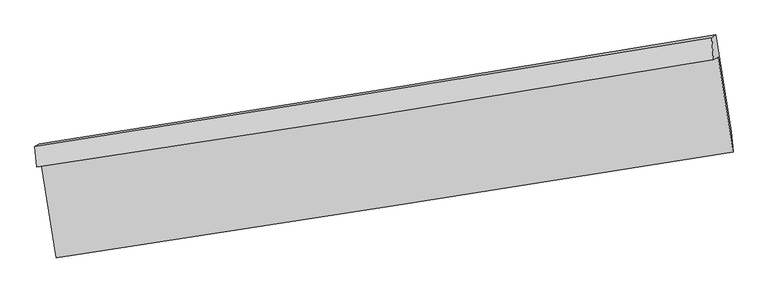
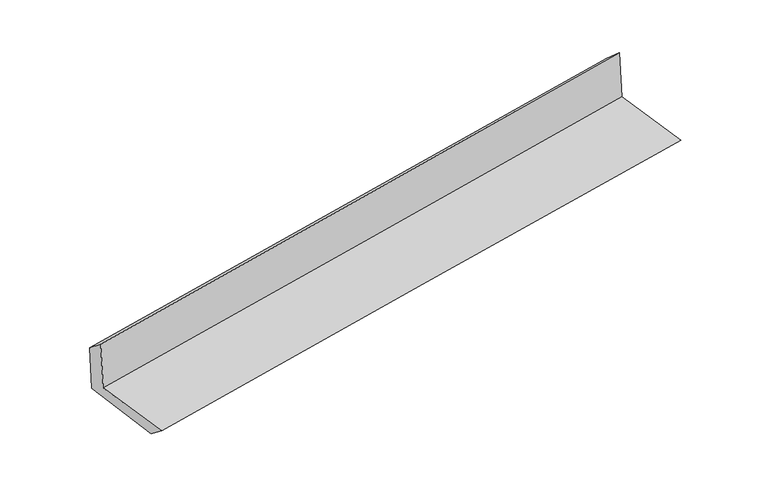
"""IFC4 building model written with IfcOpenShell, lengths in millimetres: proxy geometry."""

from ifc_helpers import new_model, si_unit, frame, origin, place, context, project, spatial, source, transform, mapped, element, save
from ifc_brep_helpers import plane_surface, spline_curve, spline_surface, advanced_brep


def generic_models_1ba3c8ec(model_context):
    return source(origin(), model_context, "Body", "AdvancedBrep", [
        advanced_brep(
        [(-2413.9461515, -1870.5037728, 1664.3851979), (-2309.569341, -2534.7825055, 1650.4031853), (2462.6096974, -1784.4690587, 2093.2916359), (2356.8372812, -1115.3479708, 2107.3240344), (-2446.1738597, -1890.3410208, 2072.8640047), (2324.2167707, -1135.4270019, 2520.7815205), (-2458.3155611, -1748.7636396, 1958.951792), (2311.9467119, -977.6148202, 2377.5191308), (-2428.6427664, -1730.4990276, 1582.855928), (2342.0007074, -959.1155661, 1996.5916328), (-2321.4914776, -2403.1948081, 1551.8997039), (2451.3561733, -1641.578582, 1965.2361066)],
        [
            (0, 1),
            (1, 2, spline_curve(3, [(-2309.569341, -2534.7825055, 1650.4031853), (-1510.951249848, -2413.167343149, 1731.750904969), (-712.323703273, -2289.568148177, 1809.469170455), (878.402797483, -2039.431267919, 1957.039386752), (1670.501596836, -1912.925980463, 2026.950604892), (2462.6096974, -1784.4690587, 2093.2916359)], [4, 2, 4], [0.0, 7.990192627433411, 15.914878881909841])),
            (2, 3),
            (3, 0, spline_curve(3, [(2356.8372812, -1115.3479708, 2107.3240344), (1565.738614492, -1249.533356364, 2040.871306261), (774.261954212, -1379.314879299, 1970.899845429), (-815.992914945, -1631.106586541, 1823.311979532), (-1614.777399177, -1753.043664293, 1745.637161503), (-2413.9461515, -1870.5037728, 1664.3851979)], [4, 2, 4], [0.0, 7.92468625447643, 15.914878881909841])),
            (4, 0),
            (3, 5),
            (5, 4, spline_curve(3, [(2324.2167707, -1135.4270019, 2520.7815205), (1533.308221825, -1269.495363322, 2451.91909176), (741.959476306, -1399.198150652, 2380.326339563), (-848.163426057, -1650.908627841, 2231.065826103), (-1646.944890987, -1772.843847115, 2153.352739555), (-2446.1738597, -1890.3410208, 2072.8640047)], [4, 2, 4], [0.0, 7.924256591571343, 15.91401600445641])),
            (6, 4),
            (5, 7),
            (7, 6, spline_curve(3, [(2311.9467119, -977.6148202, 2377.5191308), (1520.298617804, -1109.474104641, 2313.521944983), (728.58918621, -1239.409592566, 2246.797581977), (-861.49721974, -1496.49113528, 2107.320408566), (-1659.875212815, -1623.605253672, 2034.522325069), (-2458.3155611, -1748.7636396, 1958.951792)], [4, 2, 4], [0.0, 7.923993568326507, 15.91348778378618])),
            (8, 6),
            (7, 9),
            (9, 8, spline_curve(3, [(2342.0007074, -959.1155661, 1996.5916328), (1550.423069165, -1090.931482631, 1931.701435487), (758.717504734, -1220.864590332, 1864.92805773), (-831.494862728, -1478.023666244, 1727.047417819), (-1630.003789922, -1605.218379155, 1655.908894069), (-2428.6427664, -1730.4990276, 1582.855928)], [4, 2, 4], [0.0, 7.923818125377937, 15.913135447657341])),
            (10, 8),
            (9, 11),
            (11, 10, spline_curve(3, [(2451.3561733, -1641.578582, 1965.2361066), (1658.884962009, -1768.485382308, 1900.563181895), (866.548599933, -1895.146579198, 1833.931889601), (-724.402855648, -2149.022731715, 1696.185598534), (-1523.015710454, -2276.233610223, 1625.03809025), (-2321.4914776, -2403.1948081, 1551.8997039)], [4, 2, 4], [0.0, 7.924265715244923, 15.91403432722091])),
            (1, 10),
            (11, 2),
        ],
        [
            spline_surface(3, 3, [[(-2413.9461515, -1870.5037728, 1664.3851979), (-1614.77739913, -1753.043664266, 1745.637161626), (-815.992915029, -1631.106586545, 1823.311979519), (774.261954296, -1379.314879295, 1970.899845442), (1565.73861444, -1249.533356348, 2040.871306332), (2356.8372812, -1115.3479708, 2107.3240344)], [(-2379.153881334, -2091.930017043, 1659.724527053), (-1580.168682671, -1973.084890609, 1741.008409425), (-781.436511052, -1850.59377378, 1818.697709796), (808.975568672, -1599.353675447, 1966.279692555), (1600.659608596, -1470.664231073, 2036.231072526), (2392.09475326, -1338.388333436, 2102.646568231)], [(-2344.361611166, -2313.356261257, 1655.063856147), (-1545.559966209, -2193.126116924, 1736.379657166), (-746.880107133, -2070.080961063, 1814.083440111), (843.689182991, -1819.392471647, 1961.659539705), (1635.580602773, -1691.79510579, 2031.590838728), (2427.35222534, -1561.428696064, 2097.969102069)], [(-2309.569341, -2534.7825055, 1650.4031853), (-1510.95124975, -2413.167343267, 1731.750904965), (-712.323703156, -2289.568148298, 1809.469170388), (878.402797367, -2039.431267799, 1957.039386819), (1670.501596929, -1912.925980515, 2026.950604922), (2462.6096974, -1784.4690587, 2093.2916359)]], [4, 4], [4, 2, 4], [0.0, 2.190168550118991], [0.0, 7.990192627433411, 15.914878881909841]),
            spline_surface(3, 3, [[(-2446.1738597, -1890.3410208, 2072.8640047), (-1646.944890936, -1772.843847032, 2153.352739441), (-848.163426183, -1650.908627877, 2231.065825973), (741.95947643, -1399.198150617, 2380.326339692), (1533.308221835, -1269.495363432, 2451.919091732), (2324.2167707, -1135.4270019, 2520.7815205)], [(-2435.431290299, -1883.728604788, 1936.704402428), (-1636.222393667, -1766.243786097, 2017.447546831), (-837.439922488, -1644.307947454, 2095.147877152), (752.726969029, -1392.57039353, 2243.850841606), (1544.11835271, -1262.84136104, 2314.903163271), (2335.090274207, -1128.733991502, 2382.962358472)], [(-2424.688720901, -1877.116188812, 1800.544800172), (-1625.499896399, -1759.6437252, 1881.542354236), (-826.716418724, -1637.707266968, 1959.22992834), (763.494461698, -1385.942636381, 2107.375343528), (1554.928483565, -1256.187358741, 2177.887234793), (2345.963777693, -1122.040981198, 2245.143196428)], [(-2413.9461515, -1870.5037728, 1664.3851979), (-1614.77739913, -1753.043664266, 1745.637161626), (-815.992915029, -1631.106586545, 1823.311979519), (774.261954296, -1379.314879295, 1970.899845442), (1565.73861444, -1249.533356348, 2040.871306332), (2356.8372812, -1115.3479708, 2107.3240344)]], [4, 4], [4, 2, 4], [0.0, 1.3462370286705276], [0.0, 7.989759412885068, 15.91401600445641]),
            spline_surface(3, 3, [[(-2458.3155611, -1748.7636396, 1958.951792), (-1659.875212726, -1623.60525368, 2034.522325007), (-861.497219801, -1496.491135202, 2107.320408464), (728.58918627, -1239.409592643, 2246.797582078), (1520.298617738, -1109.474104644, 2313.521944868), (2311.9467119, -977.6148202, 2377.5191308)], [(-2454.268327308, -1795.956099994, 1996.922529574), (-1655.56510547, -1673.351451458, 2074.132463159), (-857.052621916, -1547.963632743, 2148.568880971), (733.045949668, -1292.672445283, 2291.307167954), (1524.635152447, -1162.814524248, 2359.654327168), (2316.03673151, -1030.218880775, 2425.273260712)], [(-2450.221093492, -1843.148560406, 2034.893267126), (-1651.254998191, -1723.097649254, 2113.742601289), (-852.608024067, -1599.436130336, 2189.817353466), (737.502713032, -1345.935297976, 2335.816753817), (1528.971687126, -1216.154943828, 2405.786709432), (2320.12675109, -1082.822941325, 2473.027390588)], [(-2446.1738597, -1890.3410208, 2072.8640047), (-1646.944890936, -1772.843847032, 2153.352739441), (-848.163426183, -1650.908627877, 2231.065825973), (741.95947643, -1399.198150617, 2380.326339692), (1533.308221835, -1269.495363432, 2451.919091732), (2324.2167707, -1135.4270019, 2520.7815205)]], [4, 4], [4, 2, 4], [0.0, 0.6674698407450342], [0.0, 7.989494215459674, 15.91348778378618]),
            spline_surface(3, 3, [[(-2428.6427664, -1730.4990276, 1582.855928), (-1630.003789824, -1605.218379282, 1655.908894124), (-831.494862812, -1478.023666375, 1727.047417893), (758.717504817, -1220.864590202, 1864.928057656), (1550.423069063, -1090.931482593, 1931.701435459), (2342.0007074, -959.1155661, 1996.5916328)], [(-2438.533697955, -1736.587231618, 1708.221215986), (-1639.960930779, -1611.347337433, 1782.113371071), (-841.495648469, -1484.179489321, 1853.805081425), (748.674731974, -1227.046257686, 1992.217899139), (1540.381585265, -1097.112356625, 2058.974938577), (2331.982708877, -965.281984149, 2123.567465449)], [(-2448.424629545, -1742.675435582, 1833.586504014), (-1649.91807177, -1617.476295529, 1908.317848059), (-851.496434143, -1490.335312256, 1980.562744932), (738.631959113, -1233.227925159, 2119.507740596), (1530.340101536, -1103.293230611, 2186.248441749), (2321.964710423, -971.448402151, 2250.543298151)], [(-2458.3155611, -1748.7636396, 1958.951792), (-1659.875212726, -1623.60525368, 2034.522325007), (-861.497219801, -1496.491135202, 2107.320408464), (728.58918627, -1239.409592643, 2246.797582078), (1520.298617738, -1109.474104644, 2313.521944868), (2311.9467119, -977.6148202, 2377.5191308)]], [4, 4], [4, 2, 4], [0.0, 1.2555660003948272], [0.0, 7.989317322279404, 15.913135447657341]),
            spline_surface(3, 3, [[(-2321.4914776, -2403.1948081, 1551.8997039), (-1523.015710426, -2276.233610268, 1625.038090236), (-724.402855627, -2149.022731714, 1696.185598613), (866.548599913, -1895.146579198, 1833.931889523), (1658.884962074, -1768.485382372, 1900.563182019), (2451.3561733, -1641.578582, 1965.2361066)], [(-2357.20857387, -2178.962881262, 1562.218445264), (-1558.678403562, -2052.561866602, 1635.328358197), (-760.100191365, -1925.356376606, 1706.472871691), (830.604901537, -1670.385916204, 1844.263945552), (1622.730997735, -1542.634082443, 1910.94259983), (2414.904351331, -1414.09091003, 1975.687948665)], [(-2392.92567013, -1954.730954438, 1572.537186636), (-1594.341096688, -1828.890122949, 1645.618626164), (-795.797527073, -1701.690021483, 1716.760144815), (794.661203193, -1445.625253196, 1854.596001627), (1586.577033402, -1316.782782522, 1921.322017648), (2378.452529369, -1186.60323807, 1986.139790735)], [(-2428.6427664, -1730.4990276, 1582.855928), (-1630.003789824, -1605.218379282, 1655.908894124), (-831.494862812, -1478.023666375, 1727.047417893), (758.717504817, -1220.864590202, 1864.928057656), (1550.423069063, -1090.931482593, 1931.701435459), (2342.0007074, -959.1155661, 1996.5916328)]], [4, 4], [4, 2, 4], [0.0, 2.2370688154450273], [0.0, 7.989768611975988, 15.91403432722091]),
            spline_surface(3, 3, [[(-2309.569341, -2534.7825055, 1650.4031853), (-1510.95124975, -2413.167343267, 1731.750904965), (-712.323703156, -2289.568148298, 1809.469170388), (878.402797367, -2039.431267799, 1957.039386819), (1670.501596929, -1912.925980515, 2026.950604922), (2462.6096974, -1784.4690587, 2093.2916359)], [(-2313.543386533, -2490.919939695, 1617.568691495), (-1514.972736642, -2367.522765596, 1696.179966717), (-716.350087315, -2242.719676107, 1771.707979814), (874.451398213, -1991.336371602, 1916.003554405), (1666.629385326, -1864.779114475, 1984.82146396), (2458.858522715, -1736.838899808, 2050.606459472)], [(-2317.517432067, -2447.057373905, 1584.734197705), (-1518.994223534, -2321.87818794, 1660.609028484), (-720.376471468, -2195.871203905, 1733.946789187), (870.499999066, -1943.241475395, 1874.967721937), (1662.757173678, -1816.632248412, 1942.692322981), (2455.107347985, -1689.208740892, 2007.921283028)], [(-2321.4914776, -2403.1948081, 1551.8997039), (-1523.015710426, -2276.233610268, 1625.038090236), (-724.402855627, -2149.022731714, 1696.185598613), (866.548599913, -1895.146579198, 1833.931889523), (1658.884962074, -1768.485382372, 1900.563182019), (2451.3561733, -1641.578582, 1965.2361066)]], [4, 4], [4, 2, 4], [0.0, 0.6083412378891052], [0.0, 7.9904020315482445, 15.91529597337188]),
            plane_surface(frame((2374.8278903, -1268.9254999, 2176.7906769), z_axis=(0.9844227557355518, 0.1538287754299884, 0.08513839227829384), x_axis=(-0.07856046383111531, -0.04835663141668951, 0.9957358533871674))),
            plane_surface(frame((-2396.3565262, -2029.6807957, 1746.893302), z_axis=(-0.9845684369481325, -0.15291196889688444, -0.08510536254308244), x_axis=(-0.15518999679513348, 0.9876658801191864, 0.020788798501100467))),
        ],
        [
            (0, [[1, 2, 3, 4]]),
            (1, [[5, -4, 6, 7]]),
            (2, [[8, -7, 9, 10]]),
            (3, [[11, -10, 12, 13]]),
            (4, [[14, -13, 15, 16]]),
            (5, [[17, -16, 18, -2]]),
            (6, [[-12, -9, -6, -3, -18, -15]]),
            (7, [[-1, -5, -8, -11, -14, -17]]),
        ],
    ),
    ])


if __name__ == "__main__":
    model = new_model("IFC4")
    model_context = context("Model", 3, world=origin())
    ifc_project = project(units=[si_unit("LENGTHUNIT", "METRE", prefix="MILLI")], contexts=[model_context])
    site = spatial("IfcSite", under=ifc_project)
    building = spatial("IfcBuilding", under=site)
    placement = place(None, origin())
    generic_models_shape = generic_models_1ba3c8ec(model_context)
    element("IfcBuildingElementProxy", 1, Name="Generic Models", at=placement, inside=building, context=model_context, shape_type="MappedRepresentation", body=[
        mapped(generic_models_shape, transform((0.0, 0.0, 0.0), x_axis=(1.0, 0.0, 0.0), y_axis=(0.0, 1.0, 0.0), z_axis=(0.0, 0.0, 1.0))),
    ])
    save(model, "model.ifc")
